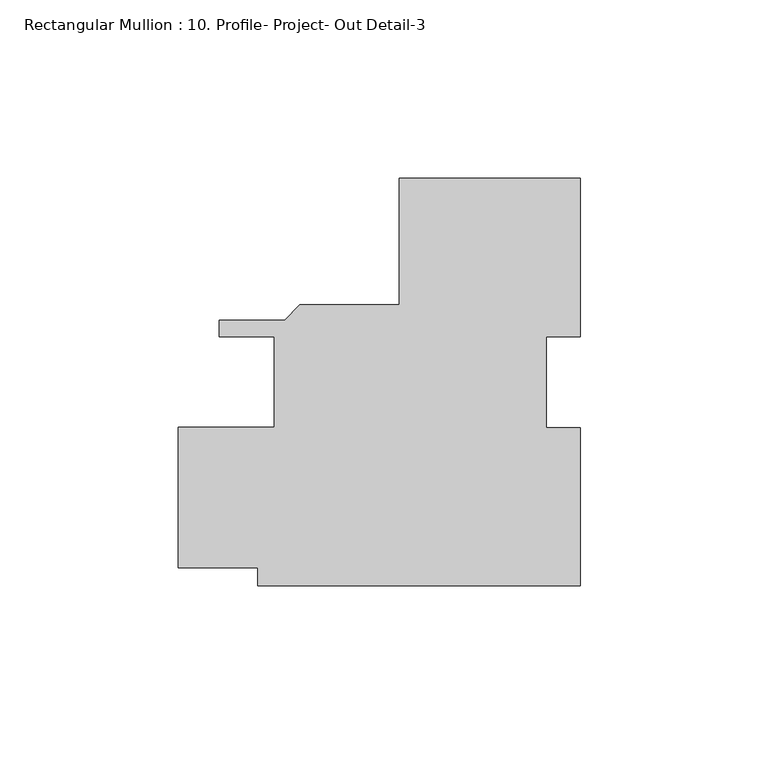
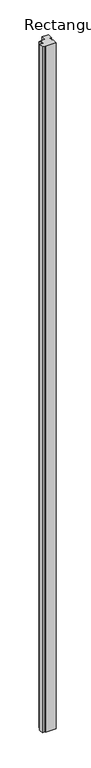
"""IFC4 building model written with IfcOpenShell, lengths in millimetres: member geometry, Rectangular Mullion : 10. Profile- Project- Out Detail-3."""

from ifc_helpers import new_model, si_unit, frame, origin, place, context, project, spatial, polyline, outline, extrude, source, transform, mapped, element, save


def rectangular_mullion_10_profile_project_out_detail_3_19ae69f7(model_context):
    return source(origin(), model_context, "Body", "SweptSolid", [
        extrude(outline(polyline([(28.0604118, -57.138783), (-62.4456017, -57.138783), (-62.4456017, -52.0588038), (-84.6520882, -52.0588038), (-84.6520882, -12.6888037), (-57.6831017, -12.6888037), (-57.6831017, 12.7111961), (-73.1657377, 12.7111961), (-73.1657377, 17.4101962), (-54.8017434, 17.4101962), (-50.5345434, 21.6773962), (-22.7449959, 21.6773962), (-22.7449959, 57.161217), (28.0550041, 57.161217), (28.0550041, 12.7438492), (18.5359538, 12.7438492), (18.5359538, -12.7438492), (28.0604118, -12.7438492), (28.0604118, -57.138783)])), frame((0.0, 0.0, -6000.75), z_axis=(0.0, 0.0, 1.0), x_axis=(1.0, 0.0, 0.0)), (0.0, 0.0, 1.0), 6000.75),
    ])


if __name__ == "__main__":
    model = new_model("IFC4")
    model_context = context("Model", 3, world=origin())
    ifc_project = project(units=[si_unit("LENGTHUNIT", "METRE", prefix="MILLI")], contexts=[model_context])
    site = spatial("IfcSite", under=ifc_project)
    building = spatial("IfcBuilding", under=site)
    placement = place(None, origin())
    rectangular_mullion_10_profile_project_out_detail_3_shape = rectangular_mullion_10_profile_project_out_detail_3_19ae69f7(model_context)
    element("IfcMember", 1, ObjectType="Rectangular Mullion : 10. Profile- Project- Out Detail-3", at=placement, inside=building, context=model_context, shape_type="MappedRepresentation", body=[
        mapped(rectangular_mullion_10_profile_project_out_detail_3_shape, transform((0.0, 0.0, 0.0), x_axis=(1.0, 0.0, 0.0), y_axis=(0.0, 1.0, 0.0), z_axis=(0.0, 0.0, 1.0))),
    ])
    save(model, "model.ifc")
